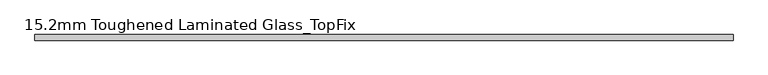
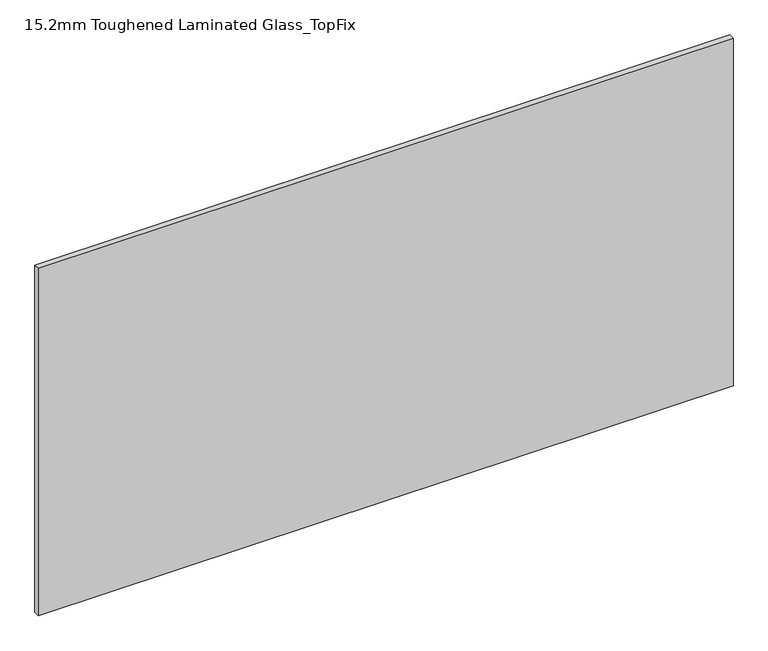
"""IFC4 building model written with IfcOpenShell, lengths in millimetres: plate geometry, 15.2mm Toughened Laminated Glass_TopFix."""

from ifc_helpers import new_model, si_unit, origin, origin_with_axes, place, context, project, spatial, polyline, outline, extrude, source, transform, mapped, element, save


def plate_15_2mm_toughened_laminated_glass_topfix_2d2e47a1(model_context):
    return source(origin(), model_context, "Body", "SweptSolid", [
        extrude(outline(polyline([(945.0000001, 7.6), (945.0000001, -7.6), (-945.0000001, -7.6), (-945.0000001, 7.6), (945.0000001, 7.6)])), origin_with_axes(), (0.0, 0.0, 1.0), 999.0),
    ])


if __name__ == "__main__":
    model = new_model("IFC4")
    model_context = context("Model", 3, world=origin())
    ifc_project = project(units=[si_unit("LENGTHUNIT", "METRE", prefix="MILLI")], contexts=[model_context])
    site = spatial("IfcSite", under=ifc_project)
    building = spatial("IfcBuilding", under=site)
    placement = place(None, origin())
    plate_15_2mm_toughened_laminated_glass_topfix_shape = plate_15_2mm_toughened_laminated_glass_topfix_2d2e47a1(model_context)
    element("IfcPlate", 1, ObjectType="15.2mm Toughened Laminated Glass_TopFix", at=placement, inside=building, context=model_context, shape_type="MappedRepresentation", body=[
        mapped(plate_15_2mm_toughened_laminated_glass_topfix_shape, transform((0.0, 0.0, 0.0), x_axis=(1.0, 0.0, 0.0), y_axis=(0.0, 1.0, 0.0), z_axis=(0.0, 0.0, 1.0))),
    ])
    save(model, "model.ifc")
